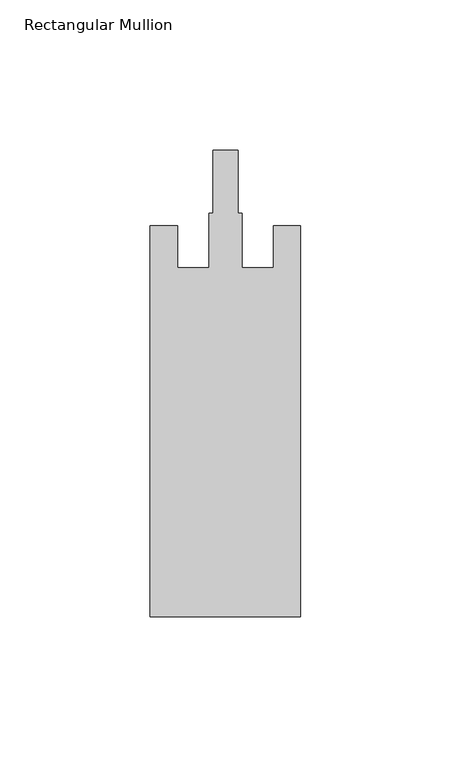
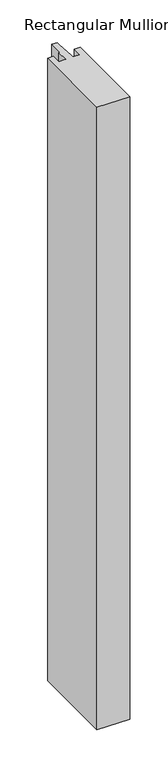
"""IFC4 building model written with IfcOpenShell, lengths in millimetres: member geometry, Rectangular Mullion."""

import ifcopenshell
import ifcopenshell.guid

model = None  # the IFC model being written
_history = None  # IfcOwnerHistory: only IFC2X3 demands one
_inside = {}  # id of a spatial element -> (the spatial element, [elements in it])
_under = {}  # id of a project, library or spatial element -> (it, [spatial elements below it])
_declared = {}  # id of a project -> (the project, [libraries it declares])
_typed = {}  # id of a type object -> (the type object, [elements of that type])
_made_of = {}  # id of a material, layer set ... -> (it, [elements and type objects made of it])


def new_model(schema):
    """Start an empty IFC model of exactly this schema.

    Asked for "IFC4X3", IfcOpenShell would pick the latest addendum, in which some entities
    have other attributes; the version numbers below select the first issue.
    IFC2X3 requires an IfcOwnerHistory on every rooted entity: one is made here for all.
    """
    global model, _history
    if schema == "IFC4X3":
        model = ifcopenshell.file(schema_version=(4, 3, 0, 0))
    else:
        model = ifcopenshell.file(schema=schema)
    _inside.clear()
    _under.clear()
    _declared.clear()
    _typed.clear()
    _made_of.clear()
    _history = None
    if model.schema == "IFC2X3":
        org = make("IfcOrganization", Name="unknown")
        user = make(
            "IfcPersonAndOrganization",
            ThePerson=make("IfcPerson", FamilyName="unknown"),
            TheOrganization=org,
        )
        app = make(
            "IfcApplication",
            ApplicationDeveloper=org,
            Version="unknown",
            ApplicationFullName="unknown",
            ApplicationIdentifier="unknown",
        )
        _history = make(
            "IfcOwnerHistory",
            OwningUser=user,
            OwningApplication=app,
            ChangeAction="ADDED",
            CreationDate=0,
        )
    return model


def make(cls, **values):
    """One entity of the class cls with the attributes given. An attribute that is None is left unset."""
    return model.create_entity(
        cls, **{name: value for name, value in values.items() if value is not None}
    )


def rooted(cls, **values):
    """An entity with a GlobalId (a new one), such as an element, a storey or a relation."""
    return make(cls, GlobalId=ifcopenshell.guid.new(), OwnerHistory=_history, **values)


def si_unit(unit_type, name, prefix=None):
    """IfcSIUnit, for example si_unit("LENGTHUNIT", "METRE", prefix="MILLI")."""
    return make("IfcSIUnit", UnitType=unit_type, Prefix=prefix, Name=name)


def assignment(units):
    """IfcUnitAssignment: the units of a project."""
    return None if units is None else make("IfcUnitAssignment", Units=units)


def point(xyz):
    """IfcCartesianPoint."""
    return None if xyz is None else make("IfcCartesianPoint", Coordinates=xyz)


def direction(xyz):
    """IfcDirection."""
    return None if xyz is None else make("IfcDirection", DirectionRatios=xyz)


def frame(location, z_axis=None, x_axis=None):
    """IfcAxis2Placement3D, a coordinate frame: its origin and axes. An axis left out is left unset."""
    return make(
        "IfcAxis2Placement3D",
        Location=point(location),
        Axis=direction(z_axis),
        RefDirection=direction(x_axis),
    )


def origin():
    """The frame at (0, 0, 0) with its axes left unset."""
    return frame((0.0, 0.0, 0.0))


def place(relative_to, where):
    """IfcLocalPlacement: puts the frame where relative to a parent placement (None: the world)."""
    return make(
        "IfcLocalPlacement", PlacementRelTo=relative_to, RelativePlacement=where
    )


def context(
    kind, dimensions, precision=None, world=None, true_north=None, identifier=None
):
    """IfcGeometricRepresentationContext, for example the 3D "Model" context."""
    return make(
        "IfcGeometricRepresentationContext",
        ContextIdentifier=identifier,
        ContextType=kind,
        CoordinateSpaceDimension=dimensions,
        Precision=precision,
        WorldCoordinateSystem=world,
        TrueNorth=true_north,
    )


def project(units=None, contexts=None):
    """IfcProject with its units and contexts."""
    return rooted(
        "IfcProject",
        Name="project",
        RepresentationContexts=contexts,
        UnitsInContext=assignment(units),
    )


def spatial(cls, under=None, at=None, **own):
    """A site, building, storey or space (cls), placed at a placement, below another one or the project."""
    s = rooted(cls, ObjectPlacement=at, **own)
    if under is not None:
        _under.setdefault(under.id(), (under, []))[1].append(s)
    return s


def polyline(points):
    """IfcPolyline through the points."""
    return make("IfcPolyline", Points=[point(p) for p in points])


def outline(outer, holes=None, kind="AREA"):
    """IfcArbitraryClosedProfileDef: a profile drawn as a closed curve; with holes, ...WithVoids."""
    if holes is None:
        return make("IfcArbitraryClosedProfileDef", ProfileType=kind, OuterCurve=outer)
    return make(
        "IfcArbitraryProfileDefWithVoids",
        ProfileType=kind,
        OuterCurve=outer,
        InnerCurves=holes,
    )


def extrude(swept, where, along, depth):
    """IfcExtrudedAreaSolid: the profile swept, set in the frame where, extruded along a direction by depth."""
    return make(
        "IfcExtrudedAreaSolid",
        SweptArea=swept,
        Position=where,
        ExtrudedDirection=direction(along),
        Depth=depth,
    )


def shape(context_of_items, identifier, shape_type, items):
    """IfcShapeRepresentation: the items that make up one representation, for example the "Body"."""
    return make(
        "IfcShapeRepresentation",
        ContextOfItems=context_of_items,
        RepresentationIdentifier=identifier,
        RepresentationType=shape_type,
        Items=items,
    )


def source(mapping_origin, context_of_items, identifier, shape_type, items):
    """IfcRepresentationMap: a shape defined once, which mapped items show again and again."""
    return make(
        "IfcRepresentationMap",
        MappingOrigin=mapping_origin,
        MappedRepresentation=shape(context_of_items, identifier, shape_type, items),
    )


def transform(
    local_origin,
    x_axis=None,
    y_axis=None,
    z_axis=None,
    scale=None,
    scale2=None,
    scale3=None,
    uniform=True,
):
    """IfcCartesianTransformationOperator3D, or its non-uniform kind. x_axis, y_axis, z_axis: its Axis1, 2, 3."""
    if uniform:
        return make(
            "IfcCartesianTransformationOperator3D",
            Axis1=direction(x_axis),
            Axis2=direction(y_axis),
            LocalOrigin=point(local_origin),
            Scale=scale,
            Axis3=direction(z_axis),
        )
    return make(
        "IfcCartesianTransformationOperator3DnonUniform",
        Axis1=direction(x_axis),
        Axis2=direction(y_axis),
        LocalOrigin=point(local_origin),
        Scale=scale,
        Axis3=direction(z_axis),
        Scale2=scale2,
        Scale3=scale3,
    )


def mapped(mapping_source, mapping_target):
    """IfcMappedItem: shows the shape of a source again, moved by a transform."""
    return make(
        "IfcMappedItem", MappingSource=mapping_source, MappingTarget=mapping_target
    )


def made_of(thing, what):
    """Note that an element or type object is made of a material, layer set ...; save() writes the relation."""
    if what is not None:
        _made_of.setdefault(what.id(), (what, []))[1].append(thing)
    return thing


def element(
    cls,
    number,
    at=None,
    inside=None,
    cuts=None,
    type_object=None,
    material=None,
    context=None,
    identifier="Body",
    shape_type=None,
    held_by="IfcProductDefinitionShape",
    body=None,
    shapes=None,
    **own,
):
    """One element of the class cls, such as IfcWall. Its Tag is "e" and its number.

    at: its placement. inside: the storey or other place that contains it. cuts: it is an
    opening in that element (IfcRelVoidsElement). A single representation is given by context,
    identifier, shape_type and body (its items); several are given by shapes. held_by: the class
    of the entity that holds the representations. save() writes the other relations.
    """
    e = rooted(cls, Tag="e%d" % number, ObjectPlacement=at, **own)
    if body is not None:
        shapes = [shape(context, identifier, shape_type, body)]
    if shapes is not None:
        e.Representation = make(held_by, Representations=shapes)
    if inside is not None:
        _inside.setdefault(inside.id(), (inside, []))[1].append(e)
    if cuts is not None:
        rooted(
            "IfcRelVoidsElement", RelatingBuildingElement=cuts, RelatedOpeningElement=e
        )
    if type_object is not None:
        _typed.setdefault(type_object.id(), (type_object, []))[1].append(e)
    return made_of(e, material)


def aggregate(whole, parts):
    """IfcRelAggregates: a whole, such as a stair, and the parts it consists of."""
    return rooted("IfcRelAggregates", RelatingObject=whole, RelatedObjects=parts)


def save(model, path):
    """Write the relations noted so far, then the file.

    IfcRelAggregates (storeys below a building ...), IfcRelContainedInSpatialStructure (elements
    in a storey), IfcRelDefinesByType, IfcRelAssociatesMaterial and IfcRelDeclares: one each for
    every whole, place, type object, material and project.
    """
    for whole, parts in _under.values():
        aggregate(whole, parts)
    for where, things in _inside.values():
        rooted(
            "IfcRelContainedInSpatialStructure",
            RelatedElements=things,
            RelatingStructure=where,
        )
    for kind, things in _typed.values():
        rooted("IfcRelDefinesByType", RelatedObjects=things, RelatingType=kind)
    for what, things in _made_of.values():
        rooted("IfcRelAssociatesMaterial", RelatedObjects=things, RelatingMaterial=what)
    for by, libraries in _declared.values():
        rooted("IfcRelDeclares", RelatingContext=by, RelatedDefinitions=libraries)
    model.write(path)


def rectangular_mullion_c474934b(model_context):
    return source(origin(), model_context, "Body", "SweptSolid", [
        extrude(outline(polyline([(0.0, -162.0), (-50.0, -162.0), (-50.0, -32.0), (-41.0, -32.0), (-41.0, -46.0), (-30.5, -46.0), (-30.5, -27.8), (-29.1, -27.8), (-29.1, -7.0), (-20.9, -7.0), (-20.9, -27.8), (-19.5, -27.8), (-19.5, -46.0), (-9.0, -46.0), (-9.0, -32.0), (0.0, -32.0), (0.0, -162.0)])), frame((0.0, 0.0, -1000.0), z_axis=(0.0, 0.0, 1.0), x_axis=(1.0, 0.0, 0.0)), (0.0, 0.0, 1.0), 1000.0),
    ])


if __name__ == "__main__":
    model = new_model("IFC4")
    model_context = context("Model", 3, world=origin())
    ifc_project = project(units=[si_unit("LENGTHUNIT", "METRE", prefix="MILLI")], contexts=[model_context])
    site = spatial("IfcSite", under=ifc_project)
    building = spatial("IfcBuilding", under=site)
    placement = place(None, origin())
    rectangular_mullion_shape = rectangular_mullion_c474934b(model_context)
    element("IfcMember", 1, ObjectType="Rectangular Mullion", at=placement, inside=building, context=model_context, shape_type="MappedRepresentation", body=[
        mapped(rectangular_mullion_shape, transform((0.0, 0.0, 0.0), x_axis=(1.0, 0.0, 0.0), y_axis=(0.0, 1.0, 0.0), z_axis=(0.0, 0.0, 1.0))),
    ])
    save(model, "model.ifc")
